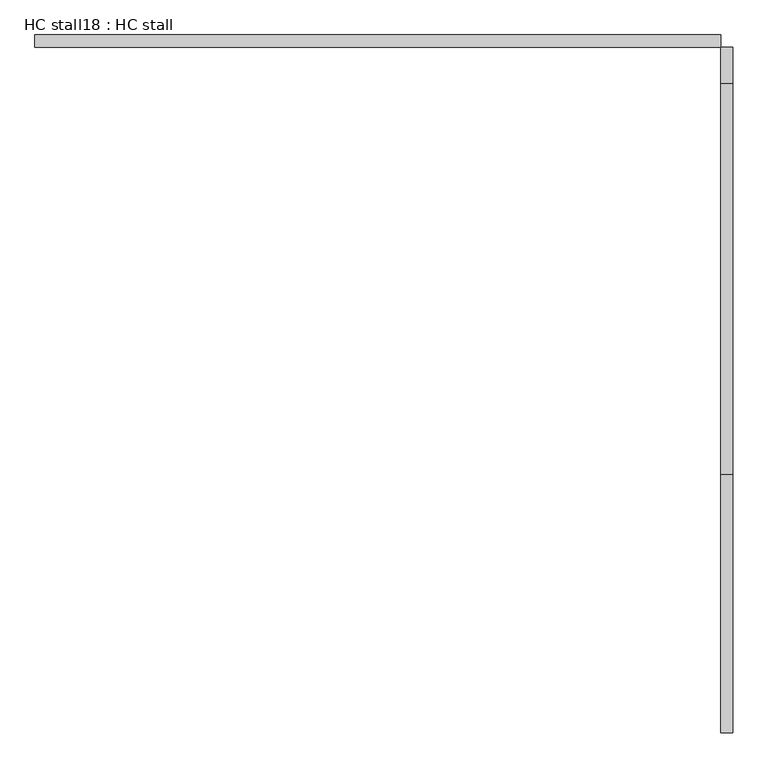
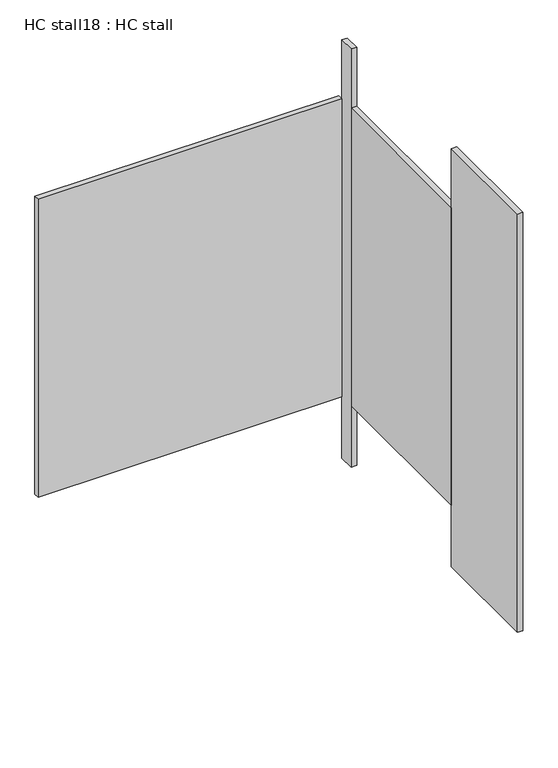
"""IFC4 building model written with IfcOpenShell, lengths in millimetres: proxy geometry, HC stall18 : HC stall."""

from ifc_helpers import new_model, si_unit, frame, origin, origin_with_axes, place, context, project, spatial, polyline, outline, extrude, source, transform, mapped, element, save


def hc_stall18_hc_stall_523a5035(model_context):
    return source(origin(), model_context, "Body", "SweptSolid", [
        extrude(outline(polyline([(456785.4504676, -351265.3455223), (458207.8504676, -351265.3455223), (458207.8504676, -351290.7455223), (456785.4504676, -351290.7455223), (456785.4504676, -351265.3455223)])), frame((0.0, 0.0, 304.8), z_axis=(0.0, 0.0, 1.0), x_axis=(1.0, 0.0, 0.0)), (0.0, 0.0, 1.0), 1473.2),
        extrude(outline(polyline([(458207.8504676, -352178.1580223), (458233.2504676, -352178.1580223), (458233.2504676, -352713.1455223), (458207.8504676, -352713.1455223), (458207.8504676, -352178.1580223)])), origin_with_axes(), (0.0, 0.0, 1.0), 2070.1),
        extrude(outline(polyline([(458207.8504676, -351290.7455223), (458233.2504676, -351290.7455223), (458233.2504676, -351365.3580223), (458207.8504676, -351365.3580223), (458207.8504676, -351290.7455223)])), origin_with_axes(), (0.0, 0.0, 1.0), 2070.1),
        extrude(outline(polyline([(458207.8504676, -351365.3580223), (458233.2504676, -351365.3580223), (458233.2504676, -352178.1580223), (458207.8504676, -352178.1580223), (458207.8504676, -351365.3580223)])), frame((0.0, 0.0, 304.8), z_axis=(0.0, 0.0, 1.0), x_axis=(1.0, 0.0, 0.0)), (0.0, 0.0, 1.0), 1473.2),
    ])


if __name__ == "__main__":
    model = new_model("IFC4")
    model_context = context("Model", 3, world=origin())
    ifc_project = project(units=[si_unit("LENGTHUNIT", "METRE", prefix="MILLI")], contexts=[model_context])
    site = spatial("IfcSite", under=ifc_project)
    building = spatial("IfcBuilding", under=site)
    placement = place(None, origin())
    hc_stall18_hc_stall_shape = hc_stall18_hc_stall_523a5035(model_context)
    element("IfcBuildingElementProxy", 1, Name="HC stall18 : HC stall", ObjectType="HC stall18 : HC stall", at=placement, inside=building, context=model_context, shape_type="MappedRepresentation", body=[
        mapped(hc_stall18_hc_stall_shape, transform((0.0, 0.0, 0.0), x_axis=(1.0, 0.0, 0.0), y_axis=(0.0, 1.0, 0.0), z_axis=(0.0, 0.0, 1.0))),
    ])
    save(model, "model.ifc")
